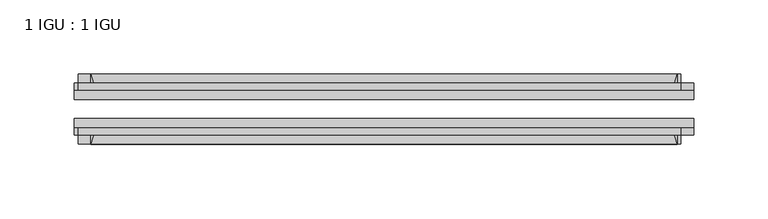
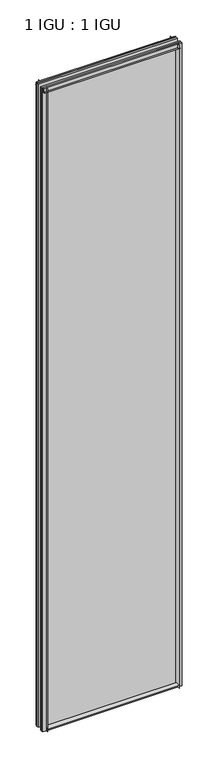
"""IFC4 building model written with IfcOpenShell, lengths in millimetres: plate geometry, 1 IGU : 1 IGU."""

import ifcopenshell
import ifcopenshell.guid

model = None  # the IFC model being written
_history = None  # IfcOwnerHistory: only IFC2X3 demands one
_inside = {}  # id of a spatial element -> (the spatial element, [elements in it])
_under = {}  # id of a project, library or spatial element -> (it, [spatial elements below it])
_declared = {}  # id of a project -> (the project, [libraries it declares])
_typed = {}  # id of a type object -> (the type object, [elements of that type])
_made_of = {}  # id of a material, layer set ... -> (it, [elements and type objects made of it])


def new_model(schema):
    """Start an empty IFC model of exactly this schema.

    Asked for "IFC4X3", IfcOpenShell would pick the latest addendum, in which some entities
    have other attributes; the version numbers below select the first issue.
    IFC2X3 requires an IfcOwnerHistory on every rooted entity: one is made here for all.
    """
    global model, _history
    if schema == "IFC4X3":
        model = ifcopenshell.file(schema_version=(4, 3, 0, 0))
    else:
        model = ifcopenshell.file(schema=schema)
    _inside.clear()
    _under.clear()
    _declared.clear()
    _typed.clear()
    _made_of.clear()
    _history = None
    if model.schema == "IFC2X3":
        org = make("IfcOrganization", Name="unknown")
        user = make(
            "IfcPersonAndOrganization",
            ThePerson=make("IfcPerson", FamilyName="unknown"),
            TheOrganization=org,
        )
        app = make(
            "IfcApplication",
            ApplicationDeveloper=org,
            Version="unknown",
            ApplicationFullName="unknown",
            ApplicationIdentifier="unknown",
        )
        _history = make(
            "IfcOwnerHistory",
            OwningUser=user,
            OwningApplication=app,
            ChangeAction="ADDED",
            CreationDate=0,
        )
    return model


def make(cls, **values):
    """One entity of the class cls with the attributes given. An attribute that is None is left unset."""
    return model.create_entity(
        cls, **{name: value for name, value in values.items() if value is not None}
    )


def rooted(cls, **values):
    """An entity with a GlobalId (a new one), such as an element, a storey or a relation."""
    return make(cls, GlobalId=ifcopenshell.guid.new(), OwnerHistory=_history, **values)


def si_unit(unit_type, name, prefix=None):
    """IfcSIUnit, for example si_unit("LENGTHUNIT", "METRE", prefix="MILLI")."""
    return make("IfcSIUnit", UnitType=unit_type, Prefix=prefix, Name=name)


def assignment(units):
    """IfcUnitAssignment: the units of a project."""
    return None if units is None else make("IfcUnitAssignment", Units=units)


def point(xyz):
    """IfcCartesianPoint."""
    return None if xyz is None else make("IfcCartesianPoint", Coordinates=xyz)


def direction(xyz):
    """IfcDirection."""
    return None if xyz is None else make("IfcDirection", DirectionRatios=xyz)


def frame(location, z_axis=None, x_axis=None):
    """IfcAxis2Placement3D, a coordinate frame: its origin and axes. An axis left out is left unset."""
    return make(
        "IfcAxis2Placement3D",
        Location=point(location),
        Axis=direction(z_axis),
        RefDirection=direction(x_axis),
    )


def frame_2d(location, x_axis=None):
    """IfcAxis2Placement2D, a coordinate frame in the plane: its origin and x axis."""
    return make(
        "IfcAxis2Placement2D", Location=point(location), RefDirection=direction(x_axis)
    )


def origin():
    """The frame at (0, 0, 0) with its axes left unset."""
    return frame((0.0, 0.0, 0.0))


def place(relative_to, where):
    """IfcLocalPlacement: puts the frame where relative to a parent placement (None: the world)."""
    return make(
        "IfcLocalPlacement", PlacementRelTo=relative_to, RelativePlacement=where
    )


def context(
    kind, dimensions, precision=None, world=None, true_north=None, identifier=None
):
    """IfcGeometricRepresentationContext, for example the 3D "Model" context."""
    return make(
        "IfcGeometricRepresentationContext",
        ContextIdentifier=identifier,
        ContextType=kind,
        CoordinateSpaceDimension=dimensions,
        Precision=precision,
        WorldCoordinateSystem=world,
        TrueNorth=true_north,
    )


def project(units=None, contexts=None):
    """IfcProject with its units and contexts."""
    return rooted(
        "IfcProject",
        Name="project",
        RepresentationContexts=contexts,
        UnitsInContext=assignment(units),
    )


def spatial(cls, under=None, at=None, **own):
    """A site, building, storey or space (cls), placed at a placement, below another one or the project."""
    s = rooted(cls, ObjectPlacement=at, **own)
    if under is not None:
        _under.setdefault(under.id(), (under, []))[1].append(s)
    return s


def polyline(points):
    """IfcPolyline through the points."""
    return make("IfcPolyline", Points=[point(p) for p in points])


def circle_curve(where, radius):
    """IfcCircle in the frame where."""
    return make("IfcCircle", Position=where, Radius=radius)


def trimmed(basis, trim1, trim2, sense, master):
    """IfcTrimmedCurve: the piece of a basis curve between two trims."""
    return make(
        "IfcTrimmedCurve",
        BasisCurve=basis,
        Trim1=trim1,
        Trim2=trim2,
        SenseAgreement=sense,
        MasterRepresentation=master,
    )


def segment(curve, same_sense, transition):
    """IfcCompositeCurveSegment."""
    return make(
        "IfcCompositeCurveSegment",
        Transition=transition,
        SameSense=same_sense,
        ParentCurve=curve,
    )


def composite_curve(segments, self_intersect=None):
    """IfcCompositeCurve: segments joined end to end."""
    return make("IfcCompositeCurve", Segments=segments, SelfIntersect=self_intersect)


def outline(outer, holes=None, kind="AREA"):
    """IfcArbitraryClosedProfileDef: a profile drawn as a closed curve; with holes, ...WithVoids."""
    if holes is None:
        return make("IfcArbitraryClosedProfileDef", ProfileType=kind, OuterCurve=outer)
    return make(
        "IfcArbitraryProfileDefWithVoids",
        ProfileType=kind,
        OuterCurve=outer,
        InnerCurves=holes,
    )


def extrude(swept, where, along, depth):
    """IfcExtrudedAreaSolid: the profile swept, set in the frame where, extruded along a direction by depth."""
    return make(
        "IfcExtrudedAreaSolid",
        SweptArea=swept,
        Position=where,
        ExtrudedDirection=direction(along),
        Depth=depth,
    )


def shape(context_of_items, identifier, shape_type, items):
    """IfcShapeRepresentation: the items that make up one representation, for example the "Body"."""
    return make(
        "IfcShapeRepresentation",
        ContextOfItems=context_of_items,
        RepresentationIdentifier=identifier,
        RepresentationType=shape_type,
        Items=items,
    )


def source(mapping_origin, context_of_items, identifier, shape_type, items):
    """IfcRepresentationMap: a shape defined once, which mapped items show again and again."""
    return make(
        "IfcRepresentationMap",
        MappingOrigin=mapping_origin,
        MappedRepresentation=shape(context_of_items, identifier, shape_type, items),
    )


def transform(
    local_origin,
    x_axis=None,
    y_axis=None,
    z_axis=None,
    scale=None,
    scale2=None,
    scale3=None,
    uniform=True,
):
    """IfcCartesianTransformationOperator3D, or its non-uniform kind. x_axis, y_axis, z_axis: its Axis1, 2, 3."""
    if uniform:
        return make(
            "IfcCartesianTransformationOperator3D",
            Axis1=direction(x_axis),
            Axis2=direction(y_axis),
            LocalOrigin=point(local_origin),
            Scale=scale,
            Axis3=direction(z_axis),
        )
    return make(
        "IfcCartesianTransformationOperator3DnonUniform",
        Axis1=direction(x_axis),
        Axis2=direction(y_axis),
        LocalOrigin=point(local_origin),
        Scale=scale,
        Axis3=direction(z_axis),
        Scale2=scale2,
        Scale3=scale3,
    )


def mapped(mapping_source, mapping_target):
    """IfcMappedItem: shows the shape of a source again, moved by a transform."""
    return make(
        "IfcMappedItem", MappingSource=mapping_source, MappingTarget=mapping_target
    )


def made_of(thing, what):
    """Note that an element or type object is made of a material, layer set ...; save() writes the relation."""
    if what is not None:
        _made_of.setdefault(what.id(), (what, []))[1].append(thing)
    return thing


def element(
    cls,
    number,
    at=None,
    inside=None,
    cuts=None,
    type_object=None,
    material=None,
    context=None,
    identifier="Body",
    shape_type=None,
    held_by="IfcProductDefinitionShape",
    body=None,
    shapes=None,
    **own,
):
    """One element of the class cls, such as IfcWall. Its Tag is "e" and its number.

    at: its placement. inside: the storey or other place that contains it. cuts: it is an
    opening in that element (IfcRelVoidsElement). A single representation is given by context,
    identifier, shape_type and body (its items); several are given by shapes. held_by: the class
    of the entity that holds the representations. save() writes the other relations.
    """
    e = rooted(cls, Tag="e%d" % number, ObjectPlacement=at, **own)
    if body is not None:
        shapes = [shape(context, identifier, shape_type, body)]
    if shapes is not None:
        e.Representation = make(held_by, Representations=shapes)
    if inside is not None:
        _inside.setdefault(inside.id(), (inside, []))[1].append(e)
    if cuts is not None:
        rooted(
            "IfcRelVoidsElement", RelatingBuildingElement=cuts, RelatedOpeningElement=e
        )
    if type_object is not None:
        _typed.setdefault(type_object.id(), (type_object, []))[1].append(e)
    return made_of(e, material)


def aggregate(whole, parts):
    """IfcRelAggregates: a whole, such as a stair, and the parts it consists of."""
    return rooted("IfcRelAggregates", RelatingObject=whole, RelatedObjects=parts)


def save(model, path):
    """Write the relations noted so far, then the file.

    IfcRelAggregates (storeys below a building ...), IfcRelContainedInSpatialStructure (elements
    in a storey), IfcRelDefinesByType, IfcRelAssociatesMaterial and IfcRelDeclares: one each for
    every whole, place, type object, material and project.
    """
    for whole, parts in _under.values():
        aggregate(whole, parts)
    for where, things in _inside.values():
        rooted(
            "IfcRelContainedInSpatialStructure",
            RelatedElements=things,
            RelatingStructure=where,
        )
    for kind, things in _typed.values():
        rooted("IfcRelDefinesByType", RelatedObjects=things, RelatingType=kind)
    for what, things in _made_of.values():
        rooted("IfcRelAssociatesMaterial", RelatedObjects=things, RelatingMaterial=what)
    for by, libraries in _declared.values():
        rooted("IfcRelDeclares", RelatingContext=by, RelatedDefinitions=libraries)
    model.write(path)


def plate_1_igu_1_igu_e01a6d45(model_context):
    return source(origin(), model_context, "Body", "SweptSolid", [
        extrude(outline(composite_curve([segment(polyline([(-74.6252, -8.73125), (-74.6252, -0.0097454), (-80.6504332, -0.0097454)]), True, "CONTINUOUS"), segment(trimmed(circle_curve(frame_2d((-86.2258203, 32.2797688)), 32.7673262), [point((-80.6504332, -0.0097454))], [point((-69.85, 3.8979053))], True, "CARTESIAN"), True, "CONTINUOUS"), segment(polyline([(-69.85, 3.8979053), (-69.85, -8.73125), (-74.6252, -8.73125)]), True, "CONTINUOUS")], self_intersect=False)), frame((-196.9561197, 0.0, 0.0), z_axis=(1.0, 0.0, 0.0), x_axis=(0.0, 1.0, 0.0)), (0.0, 0.0, 1.0), 393.9122393),
        extrude(outline(composite_curve([segment(polyline([(-39.6748, -8.73125), (-44.45, -8.73125), (-44.45, 3.8979053)]), True, "CONTINUOUS"), segment(trimmed(circle_curve(frame_2d((-28.0741797, 32.2797688)), 32.7673262), [point((-44.45, 3.8979053))], [point((-33.6495668, -0.0097454))], True, "CARTESIAN"), True, "CONTINUOUS"), segment(polyline([(-33.6495668, -0.0097454), (-39.6748, -0.0097454), (-39.6748, -8.73125)]), True, "CONTINUOUS")], self_intersect=False)), frame((-196.9561197, 0.0, 0.0), z_axis=(1.0, 0.0, 0.0), x_axis=(0.0, 1.0, 0.0)), (0.0, 0.0, 1.0), 393.9122393),
        extrude(outline(composite_curve([segment(polyline([(-80.5942, 2008.98125), (-74.6252, 2008.98125), (-74.6252, 2020.09375), (-69.85, 2020.09375), (-69.85, 2005.0833595)]), True, "CONTINUOUS"), segment(trimmed(circle_curve(frame_2d((-86.2258203, 1976.701496)), 32.7673262), [point((-69.85, 2005.0833595))], [point((-80.5942, 2008.98125))], True, "CARTESIAN"), True, "CONTINUOUS")], self_intersect=False)), frame((-205.4688583, 0.0, 0.0), z_axis=(1.0, 0.0, 0.0), x_axis=(0.0, 1.0, 0.0)), (0.0, 0.0, 1.0), 404.9709395),
        extrude(outline(composite_curve([segment(polyline([(-39.6748, 2020.09375), (-39.6748, 2008.98125), (-33.7058, 2008.98125)]), True, "CONTINUOUS"), segment(trimmed(circle_curve(frame_2d((-28.0741797, 1976.701496)), 32.7673262), [point((-33.7058, 2008.98125))], [point((-44.45, 2005.0833595))], True, "CARTESIAN"), True, "CONTINUOUS"), segment(polyline([(-44.45, 2005.0833595), (-44.45, 2020.09375), (-39.6748, 2020.09375)]), True, "CONTINUOUS")], self_intersect=False)), frame((-205.4688583, 0.0, 0.0), z_axis=(1.0, 0.0, 0.0), x_axis=(0.0, 1.0, 0.0)), (0.0, 0.0, 1.0), 404.9709395),
        extrude(outline(composite_curve([segment(polyline([(208.0686197, -39.6748), (208.0686197, -44.45), (193.0582292, -44.45)]), True, "CONTINUOUS"), segment(trimmed(circle_curve(frame_2d((164.6763657, -28.0741797)), 32.7673262), [point((193.0582292, -44.45))], [point((196.9561197, -33.7058))], True, "CARTESIAN"), True, "CONTINUOUS"), segment(polyline([(196.9561197, -33.7058), (196.9561197, -39.6748), (208.0686197, -39.6748)]), True, "CONTINUOUS")], self_intersect=False)), frame((0.0, 0.0, -8.73125), z_axis=(0.0, 0.0, 1.0), x_axis=(1.0, 0.0, 0.0)), (0.0, 0.0, 1.0), 2028.825),
        extrude(outline(composite_curve([segment(polyline([(208.0686197, -69.85), (208.0686197, -74.6252), (196.9561197, -74.6252), (196.9561197, -80.5942)]), True, "CONTINUOUS"), segment(trimmed(circle_curve(frame_2d((164.6763657, -86.2258203)), 32.7673262), [point((196.9561197, -80.5942))], [point((193.0582292, -69.85))], True, "CARTESIAN"), True, "CONTINUOUS"), segment(polyline([(193.0582292, -69.85), (208.0686197, -69.85)]), True, "CONTINUOUS")], self_intersect=False)), frame((0.0, 0.0, -8.73125), z_axis=(0.0, 0.0, 1.0), x_axis=(1.0, 0.0, 0.0)), (0.0, 0.0, 1.0), 2028.825),
        extrude(outline(composite_curve([segment(polyline([(-208.0686197, -39.6748), (-196.9561197, -39.6748), (-196.9561197, -33.7058)]), True, "CONTINUOUS"), segment(trimmed(circle_curve(frame_2d((-164.6763657, -28.0741797)), 32.7673262), [point((-196.9561197, -33.7058))], [point((-193.0582292, -44.45))], True, "CARTESIAN"), True, "CONTINUOUS"), segment(polyline([(-193.0582292, -44.45), (-208.0686197, -44.45), (-208.0686197, -39.6748)]), True, "CONTINUOUS")], self_intersect=False)), frame((0.0, 0.0, -8.73125), z_axis=(0.0, 0.0, 1.0), x_axis=(1.0, 0.0, 0.0)), (0.0, 0.0, 1.0), 2028.825),
        extrude(outline(composite_curve([segment(polyline([(-208.0686197, -74.6252), (-208.0686197, -69.85), (-193.0582292, -69.85)]), True, "CONTINUOUS"), segment(trimmed(circle_curve(frame_2d((-164.6763657, -86.2258203)), 32.7673262), [point((-193.0582292, -69.85))], [point((-196.9561197, -80.5942))], True, "CARTESIAN"), True, "CONTINUOUS"), segment(polyline([(-196.9561197, -80.5942), (-196.9561197, -74.6252), (-208.0686197, -74.6252)]), True, "CONTINUOUS")], self_intersect=False)), frame((0.0, 0.0, -8.73125), z_axis=(0.0, 0.0, 1.0), x_axis=(1.0, 0.0, 0.0)), (0.0, 0.0, 1.0), 2028.825),
        extrude(outline(polyline([(-208.0686197, -69.85), (-208.0686197, -63.5508), (208.0686197, -63.5508), (208.0686197, -69.85), (-208.0686197, -69.85)])), frame((0.0, 0.0, -8.73125), z_axis=(0.0, 0.0, 1.0), x_axis=(1.0, 0.0, 0.0)), (0.0, 0.0, 1.0), 2028.825),
        extrude(outline(polyline([(208.0686197, -50.7492), (-208.0686197, -50.7492), (-208.0686197, -44.45), (208.0686197, -44.45), (208.0686197, -50.7492)])), frame((0.0, 0.0, -8.73125), z_axis=(0.0, 0.0, 1.0), x_axis=(1.0, 0.0, 0.0)), (0.0, 0.0, 1.0), 2028.825),
    ])


if __name__ == "__main__":
    model = new_model("IFC4")
    model_context = context("Model", 3, world=origin())
    ifc_project = project(units=[si_unit("LENGTHUNIT", "METRE", prefix="MILLI")], contexts=[model_context])
    site = spatial("IfcSite", under=ifc_project)
    building = spatial("IfcBuilding", under=site)
    placement = place(None, origin())
    plate_1_igu_1_igu_shape = plate_1_igu_1_igu_e01a6d45(model_context)
    element("IfcPlate", 1, ObjectType="1 IGU : 1 IGU", at=placement, inside=building, context=model_context, shape_type="MappedRepresentation", body=[
        mapped(plate_1_igu_1_igu_shape, transform((0.0, 0.0, 0.0), x_axis=(1.0, 0.0, 0.0), y_axis=(0.0, 1.0, 0.0), z_axis=(0.0, 0.0, 1.0))),
    ])
    save(model, "model.ifc")
